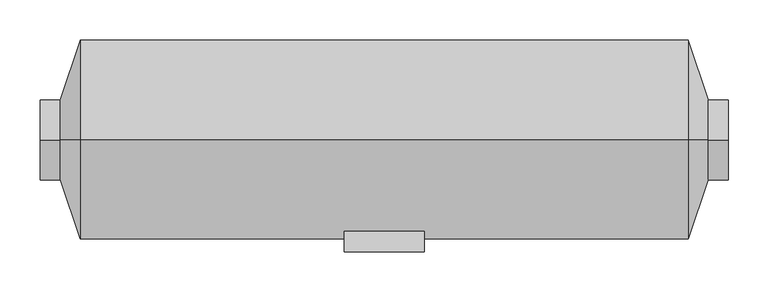
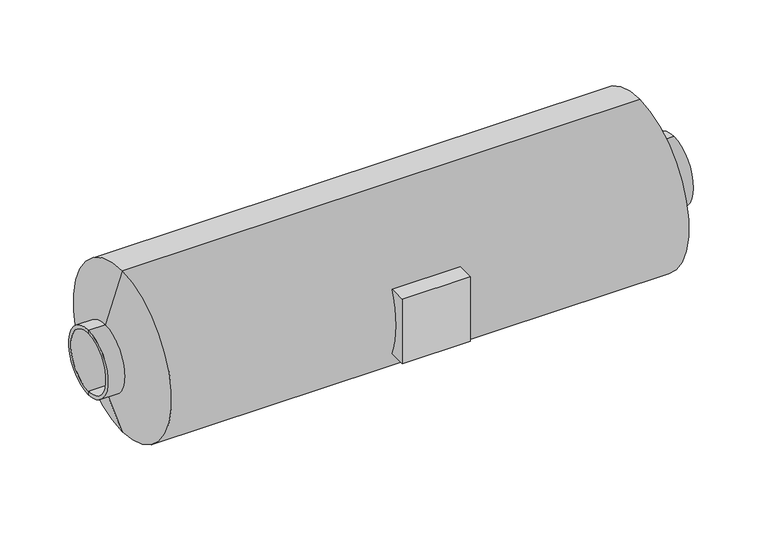
"""IFC4 building model written with IfcOpenShell, lengths in millimetres: proxy geometry."""

from ifc_helpers import new_model, si_unit, frame, origin, place, context, project, spatial, polyline, circle_curve, source, transform, mapped, element, save
from ifc_brep_helpers import plane_surface, cylinder_surface, revolved_surface, advanced_brep


def mechanical_equipment_57d58b91(model_context):
    return source(origin(), model_context, "Body", "AdvancedBrep", [
        advanced_brep(
        [(50.0, -140.0, 175.0), (-50.0, -140.0, 175.0), (-50.0, -140.0, 75.0), (50.0, -140.0, 75.0), (50.0, -114.5643924, 175.0), (-50.0, -114.5643924, 175.0), (-50.0, -114.5643924, 75.0), (50.0, -114.5643924, 75.0), (430.0, 0.0, 80.0), (430.0, 0.0, 170.0), (-430.0, 0.0, 170.0), (-430.0, 0.0, 80.0), (430.0, 0.0, 75.0), (430.0, 0.0, 175.0), (-380.0, 0.0, 0.0), (-380.0, 0.0, 250.0), (380.0, 0.0, 250.0), (380.0, 0.0, 0.0), (-430.0, 0.0, 175.0), (-430.0, 0.0, 75.0), (405.0, 0.0, 75.0), (405.0, 0.0, 175.0), (-405.0, 0.0, 75.0), (-405.0, 0.0, 175.0)],
        [
            (0, 1),
            (1, 2),
            (2, 3),
            (3, 0),
            (0, 4),
            (4, 5),
            (5, 1),
            (5, 6, circle_curve(frame((-50.0, 0.0, 125.0), z_axis=(1.0, 0.0, 0.0), x_axis=(0.0, 0.0, 1.0)), 125.0)),
            (6, 2),
            (6, 7),
            (7, 3),
            (7, 4, circle_curve(frame((50.0, 0.0, 125.0), z_axis=(-1.0, 0.0, 0.0), x_axis=(0.0, 0.0, 1.0)), 125.0)),
            (8, 9, circle_curve(frame((430.0, 0.0, 125.0), z_axis=(1.0, 0.0, 0.0), x_axis=(0.0, 0.0, 1.0)), 45.0)),
            (9, 10),
            (10, 11, circle_curve(frame((-430.0, 0.0, 125.0), z_axis=(-1.0, 0.0, 0.0), x_axis=(0.0, 0.0, 1.0)), 45.0)),
            (11, 8),
            (9, 8, circle_curve(frame((430.0, 0.0, 125.0), z_axis=(1.0, 0.0, 0.0), x_axis=(0.0, 0.0, 1.0)), 45.0)),
            (11, 10, circle_curve(frame((-430.0, 0.0, 125.0), z_axis=(-1.0, 0.0, 0.0), x_axis=(0.0, 0.0, 1.0)), 45.0)),
            (8, 12),
            (12, 13, circle_curve(frame((430.0, 0.0, 125.0), z_axis=(1.0, 0.0, 0.0), x_axis=(0.0, 0.0, 1.0)), 50.0)),
            (13, 9),
            (13, 12, circle_curve(frame((430.0, 0.0, 125.0), z_axis=(1.0, 0.0, 0.0), x_axis=(0.0, 0.0, 1.0)), 50.0)),
            (14, 15, circle_curve(frame((-380.0, 0.0, 125.0), z_axis=(1.0, 0.0, 0.0), x_axis=(0.0, 0.0, 1.0)), 125.0)),
            (15, 16),
            (16, 17, circle_curve(frame((380.0, 0.0, 125.0), z_axis=(-1.0, 0.0, 0.0), x_axis=(0.0, 0.0, 1.0)), 125.0)),
            (17, 14),
            (15, 14, circle_curve(frame((-380.0, 0.0, 125.0), z_axis=(1.0, 0.0, 0.0), x_axis=(0.0, 0.0, 1.0)), 125.0)),
            (17, 16, circle_curve(frame((380.0, 0.0, 125.0), z_axis=(-1.0, 0.0, 0.0), x_axis=(0.0, 0.0, 1.0)), 125.0)),
            (10, 18),
            (18, 19, circle_curve(frame((-430.0, 0.0, 125.0), z_axis=(-1.0, 0.0, 0.0), x_axis=(0.0, 0.0, 1.0)), 50.0)),
            (19, 11),
            (19, 18, circle_curve(frame((-430.0, 0.0, 125.0), z_axis=(-1.0, 0.0, 0.0), x_axis=(0.0, 0.0, 1.0)), 50.0)),
            (12, 20),
            (20, 21, circle_curve(frame((405.0, 0.0, 125.0), z_axis=(1.0, 0.0, 0.0), x_axis=(0.0, 0.0, 1.0)), 50.0)),
            (21, 13),
            (21, 20, circle_curve(frame((405.0, 0.0, 125.0), z_axis=(1.0, 0.0, 0.0), x_axis=(0.0, 0.0, 1.0)), 50.0)),
            (16, 21),
            (20, 17),
            (14, 22),
            (22, 23, circle_curve(frame((-405.0, 0.0, 125.0), z_axis=(1.0, 0.0, 0.0), x_axis=(0.0, 0.0, 1.0)), 50.0)),
            (23, 15),
            (23, 22, circle_curve(frame((-405.0, 0.0, 125.0), z_axis=(1.0, 0.0, 0.0), x_axis=(0.0, 0.0, 1.0)), 50.0)),
            (18, 23),
            (22, 19),
        ],
        [
            plane_surface(frame((-50.0, -140.0, 175.0), z_axis=(0.0, -1.0, 0.0), x_axis=(-1.0, 0.0, 0.0))),
            plane_surface(frame((50.0, -140.0, 175.0), z_axis=(0.0, 0.0, 1.0), x_axis=(0.0, 1.0, 0.0))),
            plane_surface(frame((-50.0, -140.0, 175.0), z_axis=(-1.0, 0.0, 0.0), x_axis=(0.0, 1.0, 0.0))),
            plane_surface(frame((-50.0, -140.0, 75.0), z_axis=(0.0, 0.0, -1.0), x_axis=(0.0, 1.0, 0.0))),
            plane_surface(frame((50.0, -140.0, 75.0), z_axis=(1.0, 0.0, 0.0), x_axis=(0.0, 1.0, 0.0))),
            revolved_surface(polyline([(-430.0, 0.0, 170.0), (430.0, 0.0, 170.0)]), (-1139.5786453, 0.0, 125.0), (-1.0, 0.0, 0.0)),
            plane_surface(frame((430.0, 0.0, 125.0), z_axis=(1.0, 0.0, 0.0), x_axis=(0.0, 0.0, 1.0))),
            cylinder_surface(frame((-1139.5786453, 0.0, 125.0), z_axis=(-1.0, 0.0, 0.0), x_axis=(0.0, 0.0, 1.0)), 125.0),
            plane_surface(frame((-430.0, 0.0, 125.0), z_axis=(-1.0, 0.0, 0.0), x_axis=(0.0, 0.0, 1.0))),
            cylinder_surface(frame((-1139.5786453, 0.0, 125.0), z_axis=(-1.0, 0.0, 0.0), x_axis=(0.0, 0.0, 1.0)), 50.0),
            revolved_surface(polyline([(405.0, 0.0, 175.0), (380.0, 0.0, 250.0)]), (-1139.5786453, 0.0, 125.0), (-1.0, 0.0, 0.0)),
            revolved_surface(polyline([(-380.0, 0.0, 250.0), (-405.0, 0.0, 175.0)]), (-1139.5786453, 0.0, 125.0), (-1.0, 0.0, 0.0)),
        ],
        [
            (0, [[1, 2, 3, 4]]),
            (1, [[-1, 5, 6, 7]]),
            (2, [[-2, -7, 8, 9]]),
            (3, [[-3, -9, 10, 11]]),
            (4, [[-4, -11, 12, -5]]),
            (5, [[13, 14, 15, 16]]),
            (5, [[-14, 17, -16, 18]]),
            (6, [[-13, 19, 20, 21]]),
            (6, [[-17, -21, 22, -19]]),
            (7, [[23, 24, 25, 26]]),
            (7, [[-24, 27, -26, 28], [-6, -12, -10, -8]]),
            (8, [[-15, 29, 30, 31]]),
            (8, [[-18, -31, 32, -29]]),
            (9, [[-20, 33, 34, 35]]),
            (9, [[-22, -35, 36, -33]]),
            (10, [[-25, 37, -34, 38]]),
            (10, [[-28, -38, -36, -37]]),
            (11, [[-23, 39, 40, 41]]),
            (11, [[-27, -41, 42, -39]]),
            (9, [[-30, 43, -40, 44]]),
            (9, [[-32, -44, -42, -43]]),
        ],
    ),
    ])


if __name__ == "__main__":
    model = new_model("IFC4")
    model_context = context("Model", 3, world=origin())
    ifc_project = project(units=[si_unit("LENGTHUNIT", "METRE", prefix="MILLI")], contexts=[model_context])
    site = spatial("IfcSite", under=ifc_project)
    building = spatial("IfcBuilding", under=site)
    placement = place(None, origin())
    mechanical_equipment_shape = mechanical_equipment_57d58b91(model_context)
    element("IfcBuildingElementProxy", 1, Name="Mechanical Equipment", at=placement, inside=building, context=model_context, shape_type="MappedRepresentation", body=[
        mapped(mechanical_equipment_shape, transform((0.0, 0.0, 0.0), x_axis=(1.0, 0.0, 0.0), y_axis=(0.0, 1.0, 0.0), z_axis=(0.0, 0.0, 1.0))),
    ])
    save(model, "model.ifc")
